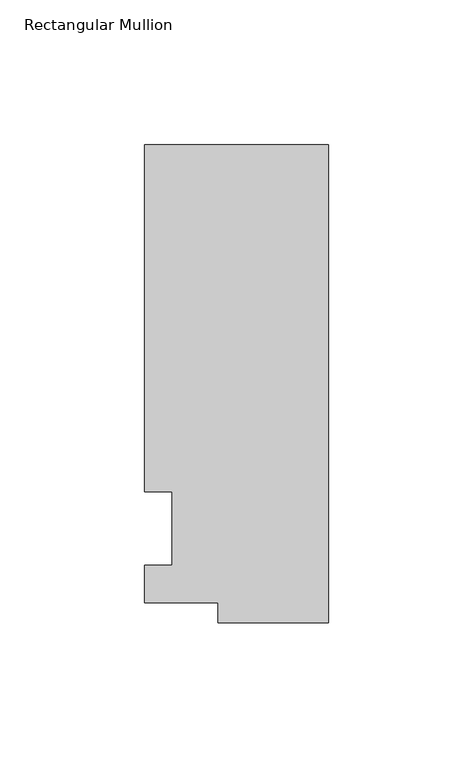
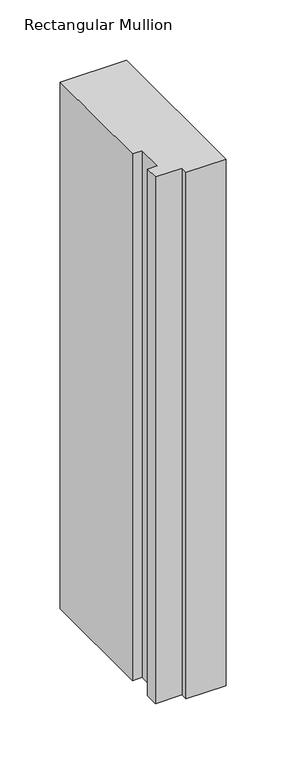
"""IFC4 building model written with IfcOpenShell, lengths in millimetres: member geometry, Rectangular Mullion."""

from ifc_helpers import new_model, si_unit, frame, origin, place, context, project, spatial, polyline, outline, extrude, source, transform, mapped, element, save


def rectangular_mullion_cbc591d8(model_context):
    return source(origin(), model_context, "Body", "SweptSolid", [
        extrude(outline(polyline([(-38.1, -32.54375), (-38.1, -25.58415), (-63.5, -25.58415), (-63.5, -12.7), (-53.975, -12.7), (-53.975, 12.7), (-63.5, 12.7), (-63.5, 132.55625), (0.0, 132.55625), (0.0, -32.54375), (-38.1, -32.54375)])), frame((0.0, 0.0, -533.4), z_axis=(0.0, 0.0, 1.0), x_axis=(1.0, 0.0, 0.0)), (0.0, 0.0, 1.0), 533.4),
    ])


if __name__ == "__main__":
    model = new_model("IFC4")
    model_context = context("Model", 3, world=origin())
    ifc_project = project(units=[si_unit("LENGTHUNIT", "METRE", prefix="MILLI")], contexts=[model_context])
    site = spatial("IfcSite", under=ifc_project)
    building = spatial("IfcBuilding", under=site)
    placement = place(None, origin())
    rectangular_mullion_shape = rectangular_mullion_cbc591d8(model_context)
    element("IfcMember", 1, ObjectType="Rectangular Mullion", at=placement, inside=building, context=model_context, shape_type="MappedRepresentation", body=[
        mapped(rectangular_mullion_shape, transform((0.0, 0.0, 0.0), x_axis=(1.0, 0.0, 0.0), y_axis=(0.0, 1.0, 0.0), z_axis=(0.0, 0.0, 1.0))),
    ])
    save(model, "model.ifc")
